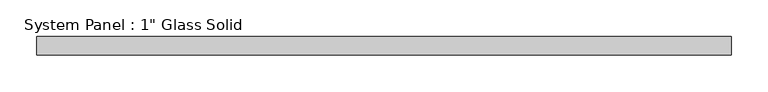
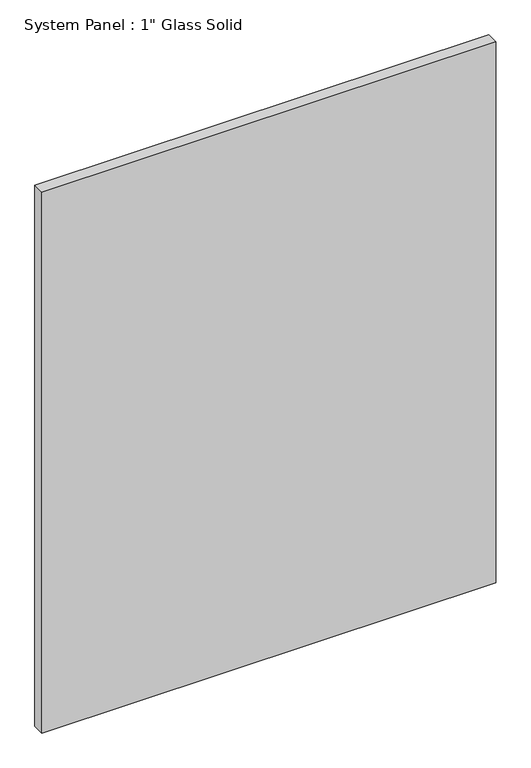
"""IFC4 building model written with IfcOpenShell, lengths in millimetres: plate geometry."""

from ifc_helpers import new_model, si_unit, origin, origin_with_axes, place, context, project, spatial, polyline, outline, extrude, source, transform, mapped, element, save


def plate_bf7e55b7(model_context):
    return source(origin(), model_context, "Body", "SweptSolid", [
        extrude(outline(polyline([(473.6555865, -12.7), (-473.6555865, -12.7), (-473.6555865, 12.7), (473.6555865, 12.7), (473.6555865, -12.7)])), origin_with_axes(), (0.0, 0.0, 1.0), 1193.8),
    ])


if __name__ == "__main__":
    model = new_model("IFC4")
    model_context = context("Model", 3, world=origin())
    ifc_project = project(units=[si_unit("LENGTHUNIT", "METRE", prefix="MILLI")], contexts=[model_context])
    site = spatial("IfcSite", under=ifc_project)
    building = spatial("IfcBuilding", under=site)
    placement = place(None, origin())
    plate_shape = plate_bf7e55b7(model_context)
    element("IfcPlate", 1, ObjectType="System Panel : 1\" Glass Solid", at=placement, inside=building, context=model_context, shape_type="MappedRepresentation", body=[
        mapped(plate_shape, transform((0.0, 0.0, 0.0), x_axis=(1.0, 0.0, 0.0), y_axis=(0.0, 1.0, 0.0), z_axis=(0.0, 0.0, 1.0))),
    ])
    save(model, "model.ifc")
